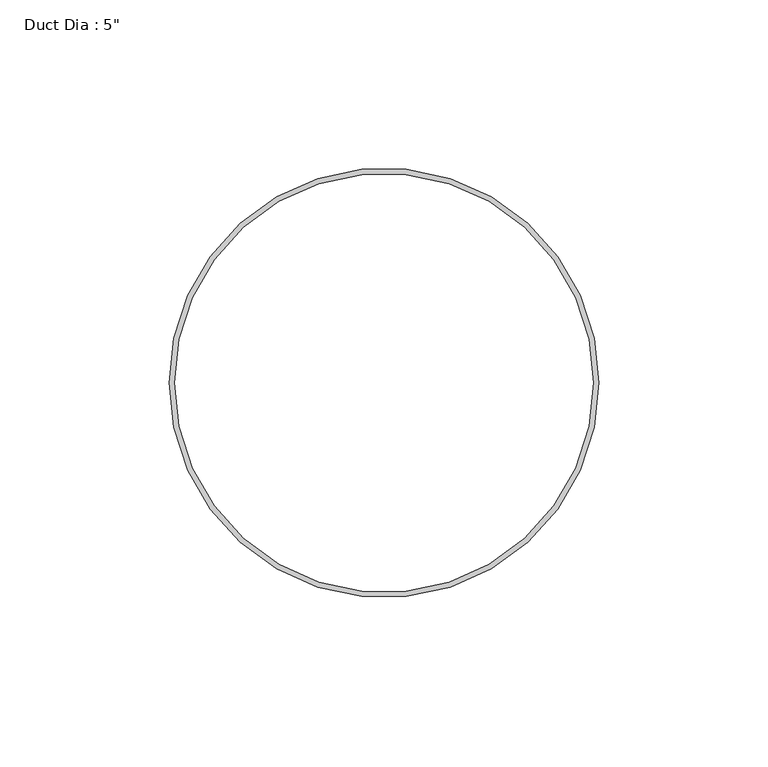
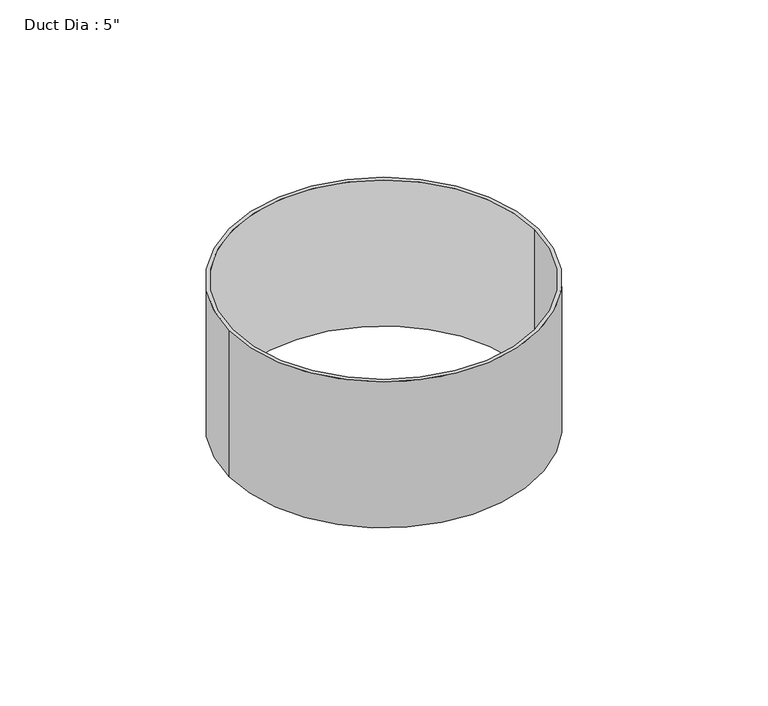
"""IFC4 building model written with IfcOpenShell, lengths in millimetres: proxy geometry."""

import ifcopenshell
import ifcopenshell.guid

model = None  # the IFC model being written
_history = None  # IfcOwnerHistory: only IFC2X3 demands one
_inside = {}  # id of a spatial element -> (the spatial element, [elements in it])
_under = {}  # id of a project, library or spatial element -> (it, [spatial elements below it])
_declared = {}  # id of a project -> (the project, [libraries it declares])
_typed = {}  # id of a type object -> (the type object, [elements of that type])
_made_of = {}  # id of a material, layer set ... -> (it, [elements and type objects made of it])


def new_model(schema):
    """Start an empty IFC model of exactly this schema.

    Asked for "IFC4X3", IfcOpenShell would pick the latest addendum, in which some entities
    have other attributes; the version numbers below select the first issue.
    IFC2X3 requires an IfcOwnerHistory on every rooted entity: one is made here for all.
    """
    global model, _history
    if schema == "IFC4X3":
        model = ifcopenshell.file(schema_version=(4, 3, 0, 0))
    else:
        model = ifcopenshell.file(schema=schema)
    _inside.clear()
    _under.clear()
    _declared.clear()
    _typed.clear()
    _made_of.clear()
    _history = None
    if model.schema == "IFC2X3":
        org = make("IfcOrganization", Name="unknown")
        user = make(
            "IfcPersonAndOrganization",
            ThePerson=make("IfcPerson", FamilyName="unknown"),
            TheOrganization=org,
        )
        app = make(
            "IfcApplication",
            ApplicationDeveloper=org,
            Version="unknown",
            ApplicationFullName="unknown",
            ApplicationIdentifier="unknown",
        )
        _history = make(
            "IfcOwnerHistory",
            OwningUser=user,
            OwningApplication=app,
            ChangeAction="ADDED",
            CreationDate=0,
        )
    return model


def make(cls, **values):
    """One entity of the class cls with the attributes given. An attribute that is None is left unset."""
    return model.create_entity(
        cls, **{name: value for name, value in values.items() if value is not None}
    )


def rooted(cls, **values):
    """An entity with a GlobalId (a new one), such as an element, a storey or a relation."""
    return make(cls, GlobalId=ifcopenshell.guid.new(), OwnerHistory=_history, **values)


def si_unit(unit_type, name, prefix=None):
    """IfcSIUnit, for example si_unit("LENGTHUNIT", "METRE", prefix="MILLI")."""
    return make("IfcSIUnit", UnitType=unit_type, Prefix=prefix, Name=name)


def assignment(units):
    """IfcUnitAssignment: the units of a project."""
    return None if units is None else make("IfcUnitAssignment", Units=units)


def point(xyz):
    """IfcCartesianPoint."""
    return None if xyz is None else make("IfcCartesianPoint", Coordinates=xyz)


def direction(xyz):
    """IfcDirection."""
    return None if xyz is None else make("IfcDirection", DirectionRatios=xyz)


def frame(location, z_axis=None, x_axis=None):
    """IfcAxis2Placement3D, a coordinate frame: its origin and axes. An axis left out is left unset."""
    return make(
        "IfcAxis2Placement3D",
        Location=point(location),
        Axis=direction(z_axis),
        RefDirection=direction(x_axis),
    )


def frame_2d(location, x_axis=None):
    """IfcAxis2Placement2D, a coordinate frame in the plane: its origin and x axis."""
    return make(
        "IfcAxis2Placement2D", Location=point(location), RefDirection=direction(x_axis)
    )


def origin():
    """The frame at (0, 0, 0) with its axes left unset."""
    return frame((0.0, 0.0, 0.0))


def origin_with_axes():
    """The frame at (0, 0, 0) with the z axis (0, 0, 1) and the x axis (1, 0, 0) written out."""
    return frame((0.0, 0.0, 0.0), z_axis=(0.0, 0.0, 1.0), x_axis=(1.0, 0.0, 0.0))


def origin_2d():
    """The frame at (0, 0) in the plane with its x axis left unset."""
    return frame_2d((0.0, 0.0))


def place(relative_to, where):
    """IfcLocalPlacement: puts the frame where relative to a parent placement (None: the world)."""
    return make(
        "IfcLocalPlacement", PlacementRelTo=relative_to, RelativePlacement=where
    )


def context(
    kind, dimensions, precision=None, world=None, true_north=None, identifier=None
):
    """IfcGeometricRepresentationContext, for example the 3D "Model" context."""
    return make(
        "IfcGeometricRepresentationContext",
        ContextIdentifier=identifier,
        ContextType=kind,
        CoordinateSpaceDimension=dimensions,
        Precision=precision,
        WorldCoordinateSystem=world,
        TrueNorth=true_north,
    )


def project(units=None, contexts=None):
    """IfcProject with its units and contexts."""
    return rooted(
        "IfcProject",
        Name="project",
        RepresentationContexts=contexts,
        UnitsInContext=assignment(units),
    )


def spatial(cls, under=None, at=None, **own):
    """A site, building, storey or space (cls), placed at a placement, below another one or the project."""
    s = rooted(cls, ObjectPlacement=at, **own)
    if under is not None:
        _under.setdefault(under.id(), (under, []))[1].append(s)
    return s


def circle_curve(where, radius):
    """IfcCircle in the frame where."""
    return make("IfcCircle", Position=where, Radius=radius)


def trimmed(basis, trim1, trim2, sense, master):
    """IfcTrimmedCurve: the piece of a basis curve between two trims."""
    return make(
        "IfcTrimmedCurve",
        BasisCurve=basis,
        Trim1=trim1,
        Trim2=trim2,
        SenseAgreement=sense,
        MasterRepresentation=master,
    )


def segment(curve, same_sense, transition):
    """IfcCompositeCurveSegment."""
    return make(
        "IfcCompositeCurveSegment",
        Transition=transition,
        SameSense=same_sense,
        ParentCurve=curve,
    )


def composite_curve(segments, self_intersect=None):
    """IfcCompositeCurve: segments joined end to end."""
    return make("IfcCompositeCurve", Segments=segments, SelfIntersect=self_intersect)


def outline(outer, holes=None, kind="AREA"):
    """IfcArbitraryClosedProfileDef: a profile drawn as a closed curve; with holes, ...WithVoids."""
    if holes is None:
        return make("IfcArbitraryClosedProfileDef", ProfileType=kind, OuterCurve=outer)
    return make(
        "IfcArbitraryProfileDefWithVoids",
        ProfileType=kind,
        OuterCurve=outer,
        InnerCurves=holes,
    )


def extrude(swept, where, along, depth):
    """IfcExtrudedAreaSolid: the profile swept, set in the frame where, extruded along a direction by depth."""
    return make(
        "IfcExtrudedAreaSolid",
        SweptArea=swept,
        Position=where,
        ExtrudedDirection=direction(along),
        Depth=depth,
    )


def shape(context_of_items, identifier, shape_type, items):
    """IfcShapeRepresentation: the items that make up one representation, for example the "Body"."""
    return make(
        "IfcShapeRepresentation",
        ContextOfItems=context_of_items,
        RepresentationIdentifier=identifier,
        RepresentationType=shape_type,
        Items=items,
    )


def source(mapping_origin, context_of_items, identifier, shape_type, items):
    """IfcRepresentationMap: a shape defined once, which mapped items show again and again."""
    return make(
        "IfcRepresentationMap",
        MappingOrigin=mapping_origin,
        MappedRepresentation=shape(context_of_items, identifier, shape_type, items),
    )


def transform(
    local_origin,
    x_axis=None,
    y_axis=None,
    z_axis=None,
    scale=None,
    scale2=None,
    scale3=None,
    uniform=True,
):
    """IfcCartesianTransformationOperator3D, or its non-uniform kind. x_axis, y_axis, z_axis: its Axis1, 2, 3."""
    if uniform:
        return make(
            "IfcCartesianTransformationOperator3D",
            Axis1=direction(x_axis),
            Axis2=direction(y_axis),
            LocalOrigin=point(local_origin),
            Scale=scale,
            Axis3=direction(z_axis),
        )
    return make(
        "IfcCartesianTransformationOperator3DnonUniform",
        Axis1=direction(x_axis),
        Axis2=direction(y_axis),
        LocalOrigin=point(local_origin),
        Scale=scale,
        Axis3=direction(z_axis),
        Scale2=scale2,
        Scale3=scale3,
    )


def mapped(mapping_source, mapping_target):
    """IfcMappedItem: shows the shape of a source again, moved by a transform."""
    return make(
        "IfcMappedItem", MappingSource=mapping_source, MappingTarget=mapping_target
    )


def made_of(thing, what):
    """Note that an element or type object is made of a material, layer set ...; save() writes the relation."""
    if what is not None:
        _made_of.setdefault(what.id(), (what, []))[1].append(thing)
    return thing


def element(
    cls,
    number,
    at=None,
    inside=None,
    cuts=None,
    type_object=None,
    material=None,
    context=None,
    identifier="Body",
    shape_type=None,
    held_by="IfcProductDefinitionShape",
    body=None,
    shapes=None,
    **own,
):
    """One element of the class cls, such as IfcWall. Its Tag is "e" and its number.

    at: its placement. inside: the storey or other place that contains it. cuts: it is an
    opening in that element (IfcRelVoidsElement). A single representation is given by context,
    identifier, shape_type and body (its items); several are given by shapes. held_by: the class
    of the entity that holds the representations. save() writes the other relations.
    """
    e = rooted(cls, Tag="e%d" % number, ObjectPlacement=at, **own)
    if body is not None:
        shapes = [shape(context, identifier, shape_type, body)]
    if shapes is not None:
        e.Representation = make(held_by, Representations=shapes)
    if inside is not None:
        _inside.setdefault(inside.id(), (inside, []))[1].append(e)
    if cuts is not None:
        rooted(
            "IfcRelVoidsElement", RelatingBuildingElement=cuts, RelatedOpeningElement=e
        )
    if type_object is not None:
        _typed.setdefault(type_object.id(), (type_object, []))[1].append(e)
    return made_of(e, material)


def aggregate(whole, parts):
    """IfcRelAggregates: a whole, such as a stair, and the parts it consists of."""
    return rooted("IfcRelAggregates", RelatingObject=whole, RelatedObjects=parts)


def save(model, path):
    """Write the relations noted so far, then the file.

    IfcRelAggregates (storeys below a building ...), IfcRelContainedInSpatialStructure (elements
    in a storey), IfcRelDefinesByType, IfcRelAssociatesMaterial and IfcRelDeclares: one each for
    every whole, place, type object, material and project.
    """
    for whole, parts in _under.values():
        aggregate(whole, parts)
    for where, things in _inside.values():
        rooted(
            "IfcRelContainedInSpatialStructure",
            RelatedElements=things,
            RelatingStructure=where,
        )
    for kind, things in _typed.values():
        rooted("IfcRelDefinesByType", RelatedObjects=things, RelatingType=kind)
    for what, things in _made_of.values():
        rooted("IfcRelAssociatesMaterial", RelatedObjects=things, RelatingMaterial=what)
    for by, libraries in _declared.values():
        rooted("IfcRelDeclares", RelatingContext=by, RelatedDefinitions=libraries)
    model.write(path)


def proxy_d67c9ba8(model_context):
    return source(origin(), model_context, "Body", "SweptSolid", [
        extrude(outline(composite_curve([segment(trimmed(circle_curve(origin_2d(), 63.5), [point((-63.5, 0.0))], [point((63.5, 0.0))], False, "CARTESIAN"), True, "CONTINUOUS"), segment(trimmed(circle_curve(origin_2d(), 63.5), [point((63.5, 0.0))], [point((-63.5, 0.0))], False, "CARTESIAN"), True, "CONTINUOUS")], self_intersect=False), holes=[composite_curve([segment(trimmed(circle_curve(origin_2d(), 61.9125), [point((-61.9125, 0.0))], [point((61.9125, 0.0))], True, "CARTESIAN"), True, "CONTINUOUS"), segment(trimmed(circle_curve(origin_2d(), 61.9125), [point((61.9125, 0.0))], [point((-61.9125, 0.0))], True, "CARTESIAN"), True, "CONTINUOUS")], self_intersect=False)]), origin_with_axes(), (0.0, 0.0, 1.0), 63.5),
    ])


if __name__ == "__main__":
    model = new_model("IFC4")
    model_context = context("Model", 3, world=origin())
    ifc_project = project(units=[si_unit("LENGTHUNIT", "METRE", prefix="MILLI")], contexts=[model_context])
    site = spatial("IfcSite", under=ifc_project)
    building = spatial("IfcBuilding", under=site)
    placement = place(None, origin())
    proxy_shape = proxy_d67c9ba8(model_context)
    element("IfcBuildingElementProxy", 1, Name="Duct Dia : 5\"", ObjectType="Duct Dia : 5\"", at=placement, inside=building, context=model_context, shape_type="MappedRepresentation", body=[
        mapped(proxy_shape, transform((0.0, 0.0, 0.0), x_axis=(1.0, 0.0, 0.0), y_axis=(0.0, 1.0, 0.0), z_axis=(0.0, 0.0, 1.0))),
    ])
    save(model, "model.ifc")
